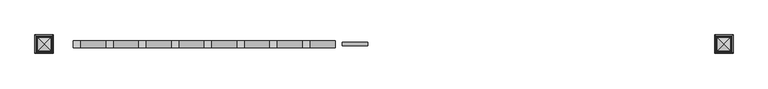
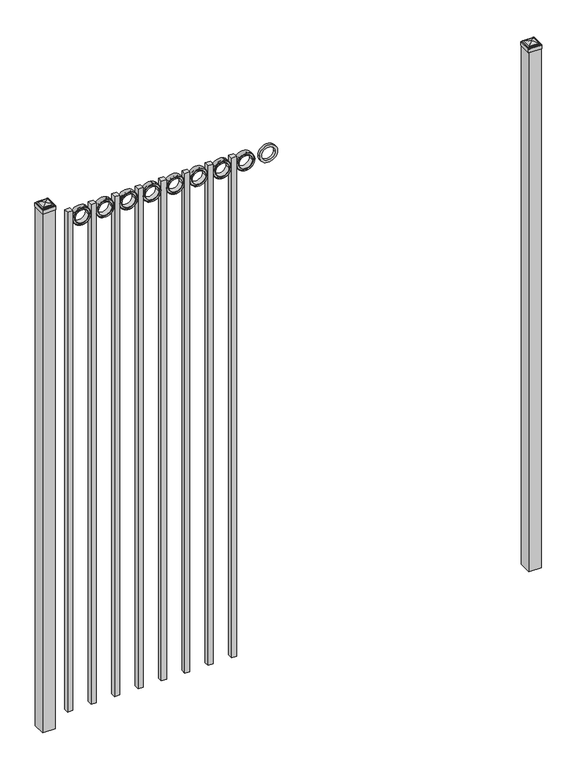
"""IFC4 building model written with IfcOpenShell, lengths in millimetres: railing geometry."""

from ifc_helpers import new_model, si_unit, point, frame, frame_2d, origin, origin_with_axes, place, context, project, spatial, polyline, circle_curve, ellipse_curve, trimmed, segment, composite_curve, outline, extrude, source, transform, mapped, element, save
from ifc_brep_helpers import plane_surface, cylinder_surface, advanced_brep


def railing_bb1613e2(model_context):
    return source(origin(), model_context, "Body", "SolidModel", [
        extrude(outline(composite_curve([segment(trimmed(circle_curve(frame_2d((2653.0511409, -5077.3911274)), 45.6988591), [point((2653.0511409, -5031.6922684))], [point((2653.0511409, -5123.0899865))], False, "CARTESIAN"), True, "CONTINUOUS"), segment(trimmed(circle_curve(frame_2d((2653.0511409, -5077.3911274)), 45.6988591), [point((2653.0511409, -5123.0899865))], [point((2653.0511409, -5031.6922684))], False, "CARTESIAN"), True, "CONTINUOUS")], self_intersect=False), holes=[composite_curve([segment(trimmed(circle_curve(frame_2d((2653.0511409, -5077.3911274)), 33.0443887), [point((2653.0511409, -5044.3467388))], [point((2653.0511409, -5110.4355161))], True, "CARTESIAN"), True, "CONTINUOUS"), segment(trimmed(circle_curve(frame_2d((2653.0511409, -5077.3911274)), 33.0443887), [point((2653.0511409, -5110.4355161))], [point((2653.0511409, -5044.3467388))], True, "CARTESIAN"), True, "CONTINUOUS")], self_intersect=False)]), frame((0.0, 5790.569541, 0.0), z_axis=(0.0, 1.0, 0.0), x_axis=(0.0, 0.0, 1.0)), (0.0, 0.0, 1.0), 12.7),
        extrude(outline(polyline([(0.0, -2647.95), (0.0, 0.0), (25.4, 0.0), (25.4, -2647.95), (0.0, -2647.95)])), frame((-5240.5649864, 5809.619541, 2698.75), z_axis=(-1.0, 0.0, 1.5671138160126508e-09), x_axis=(0.0, -1.0, 0.0)), (0.0, 0.0, 1.0), 25.4),
        extrude(outline(composite_curve([segment(trimmed(circle_curve(frame_2d((2653.0511409, -5194.8661274)), 45.6988591), [point((2653.0511409, -5149.1672684))], [point((2653.0511409, -5240.5649865))], False, "CARTESIAN"), True, "CONTINUOUS"), segment(trimmed(circle_curve(frame_2d((2653.0511409, -5194.8661274)), 45.6988591), [point((2653.0511409, -5240.5649865))], [point((2653.0511409, -5149.1672684))], False, "CARTESIAN"), True, "CONTINUOUS")], self_intersect=False), holes=[composite_curve([segment(trimmed(circle_curve(frame_2d((2653.0511409, -5194.8661274)), 44.101539), [point((2653.0511409, -5150.7645884))], [point((2653.0511409, -5238.9676665))], True, "CARTESIAN"), True, "CONTINUOUS"), segment(trimmed(circle_curve(frame_2d((2653.0511409, -5194.8661274)), 44.101539), [point((2653.0511409, -5238.9676665))], [point((2653.0511409, -5150.7645884))], True, "CARTESIAN"), True, "CONTINUOUS")], self_intersect=False)]), frame((0.0, 5784.219541, 0.0), z_axis=(0.0, 1.0, 0.0), x_axis=(0.0, 0.0, 1.0)), (0.0, 0.0, 1.0), 25.4),
        extrude(outline(composite_curve([segment(trimmed(circle_curve(frame_2d((2653.0511409, -5194.8661274)), 34.6370762), [point((2653.0511409, -5160.2290512))], [point((2653.0511409, -5229.5032037))], False, "CARTESIAN"), True, "CONTINUOUS"), segment(trimmed(circle_curve(frame_2d((2653.0511409, -5194.8661274)), 34.6370762), [point((2653.0511409, -5229.5032037))], [point((2653.0511409, -5160.2290512))], False, "CARTESIAN"), True, "CONTINUOUS")], self_intersect=False), holes=[composite_curve([segment(trimmed(circle_curve(frame_2d((2653.0511409, -5194.8661274)), 33.0443887), [point((2653.0511409, -5161.8217388))], [point((2653.0511409, -5227.9105161))], True, "CARTESIAN"), True, "CONTINUOUS"), segment(trimmed(circle_curve(frame_2d((2653.0511409, -5194.8661274)), 33.0443887), [point((2653.0511409, -5227.9105161))], [point((2653.0511409, -5161.8217388))], True, "CARTESIAN"), True, "CONTINUOUS")], self_intersect=False)]), frame((0.0, 5784.219541, 0.0), z_axis=(0.0, 1.0, 0.0), x_axis=(0.0, 0.0, 1.0)), (0.0, 0.0, 1.0), 25.4),
        extrude(outline(composite_curve([segment(trimmed(circle_curve(frame_2d((2653.0511409, -5194.8661274)), 45.6988591), [point((2653.0511409, -5149.1672684))], [point((2653.0511409, -5240.5649865))], False, "CARTESIAN"), True, "CONTINUOUS"), segment(trimmed(circle_curve(frame_2d((2653.0511409, -5194.8661274)), 45.6988591), [point((2653.0511409, -5240.5649865))], [point((2653.0511409, -5149.1672684))], False, "CARTESIAN"), True, "CONTINUOUS")], self_intersect=False), holes=[composite_curve([segment(trimmed(circle_curve(frame_2d((2653.0511409, -5194.8661274)), 33.0443887), [point((2653.0511409, -5161.8217388))], [point((2653.0511409, -5227.9105161))], True, "CARTESIAN"), True, "CONTINUOUS"), segment(trimmed(circle_curve(frame_2d((2653.0511409, -5194.8661274)), 33.0443887), [point((2653.0511409, -5227.9105161))], [point((2653.0511409, -5161.8217388))], True, "CARTESIAN"), True, "CONTINUOUS")], self_intersect=False)]), frame((0.0, 5790.569541, 0.0), z_axis=(0.0, 1.0, 0.0), x_axis=(0.0, 0.0, 1.0)), (0.0, 0.0, 1.0), 12.7),
        extrude(outline(polyline([(0.0, -2647.95), (0.0, 0.0), (25.4, 0.0), (25.4, -2647.95), (0.0, -2647.95)])), frame((-5358.0399864, 5809.619541, 2698.75), z_axis=(-1.0, 0.0, 1.5671138160126508e-09), x_axis=(0.0, -1.0, 0.0)), (0.0, 0.0, 1.0), 25.4),
        extrude(outline(composite_curve([segment(trimmed(circle_curve(frame_2d((2653.0511409, -5312.3411274)), 45.6988591), [point((2653.0511409, -5266.6422684))], [point((2653.0511409, -5358.0399865))], False, "CARTESIAN"), True, "CONTINUOUS"), segment(trimmed(circle_curve(frame_2d((2653.0511409, -5312.3411274)), 45.6988591), [point((2653.0511409, -5358.0399865))], [point((2653.0511409, -5266.6422684))], False, "CARTESIAN"), True, "CONTINUOUS")], self_intersect=False), holes=[composite_curve([segment(trimmed(circle_curve(frame_2d((2653.0511409, -5312.3411274)), 44.101539), [point((2653.0511409, -5268.2395884))], [point((2653.0511409, -5356.4426665))], True, "CARTESIAN"), True, "CONTINUOUS"), segment(trimmed(circle_curve(frame_2d((2653.0511409, -5312.3411274)), 44.101539), [point((2653.0511409, -5356.4426665))], [point((2653.0511409, -5268.2395884))], True, "CARTESIAN"), True, "CONTINUOUS")], self_intersect=False)]), frame((0.0, 5784.219541, 0.0), z_axis=(0.0, 1.0, 0.0), x_axis=(0.0, 0.0, 1.0)), (0.0, 0.0, 1.0), 25.4),
        extrude(outline(composite_curve([segment(trimmed(circle_curve(frame_2d((2653.0511409, -5312.3411274)), 34.6370762), [point((2653.0511409, -5277.7040512))], [point((2653.0511409, -5346.9782037))], False, "CARTESIAN"), True, "CONTINUOUS"), segment(trimmed(circle_curve(frame_2d((2653.0511409, -5312.3411274)), 34.6370762), [point((2653.0511409, -5346.9782037))], [point((2653.0511409, -5277.7040512))], False, "CARTESIAN"), True, "CONTINUOUS")], self_intersect=False), holes=[composite_curve([segment(trimmed(circle_curve(frame_2d((2653.0511409, -5312.3411274)), 33.0443887), [point((2653.0511409, -5279.2967388))], [point((2653.0511409, -5345.3855161))], True, "CARTESIAN"), True, "CONTINUOUS"), segment(trimmed(circle_curve(frame_2d((2653.0511409, -5312.3411274)), 33.0443887), [point((2653.0511409, -5345.3855161))], [point((2653.0511409, -5279.2967388))], True, "CARTESIAN"), True, "CONTINUOUS")], self_intersect=False)]), frame((0.0, 5784.219541, 0.0), z_axis=(0.0, 1.0, 0.0), x_axis=(0.0, 0.0, 1.0)), (0.0, 0.0, 1.0), 25.4),
        extrude(outline(composite_curve([segment(trimmed(circle_curve(frame_2d((2653.0511409, -5312.3411274)), 45.6988591), [point((2653.0511409, -5266.6422684))], [point((2653.0511409, -5358.0399865))], False, "CARTESIAN"), True, "CONTINUOUS"), segment(trimmed(circle_curve(frame_2d((2653.0511409, -5312.3411274)), 45.6988591), [point((2653.0511409, -5358.0399865))], [point((2653.0511409, -5266.6422684))], False, "CARTESIAN"), True, "CONTINUOUS")], self_intersect=False), holes=[composite_curve([segment(trimmed(circle_curve(frame_2d((2653.0511409, -5312.3411274)), 33.0443887), [point((2653.0511409, -5279.2967388))], [point((2653.0511409, -5345.3855161))], True, "CARTESIAN"), True, "CONTINUOUS"), segment(trimmed(circle_curve(frame_2d((2653.0511409, -5312.3411274)), 33.0443887), [point((2653.0511409, -5345.3855161))], [point((2653.0511409, -5279.2967388))], True, "CARTESIAN"), True, "CONTINUOUS")], self_intersect=False)]), frame((0.0, 5790.569541, 0.0), z_axis=(0.0, 1.0, 0.0), x_axis=(0.0, 0.0, 1.0)), (0.0, 0.0, 1.0), 12.7),
        extrude(outline(polyline([(0.0, -2647.95), (0.0, 0.0), (25.4, 0.0), (25.4, -2647.95), (0.0, -2647.95)])), frame((-5475.5149864, 5809.619541, 2698.75), z_axis=(-1.0, 0.0, 1.5671138160126508e-09), x_axis=(0.0, -1.0, 0.0)), (0.0, 0.0, 1.0), 25.4),
        extrude(outline(composite_curve([segment(trimmed(circle_curve(frame_2d((2653.0511409, -5429.8161274)), 45.6988591), [point((2653.0511409, -5384.1172684))], [point((2653.0511409, -5475.5149865))], False, "CARTESIAN"), True, "CONTINUOUS"), segment(trimmed(circle_curve(frame_2d((2653.0511409, -5429.8161274)), 45.6988591), [point((2653.0511409, -5475.5149865))], [point((2653.0511409, -5384.1172684))], False, "CARTESIAN"), True, "CONTINUOUS")], self_intersect=False), holes=[composite_curve([segment(trimmed(circle_curve(frame_2d((2653.0511409, -5429.8161274)), 44.101539), [point((2653.0511409, -5385.7145884))], [point((2653.0511409, -5473.9176665))], True, "CARTESIAN"), True, "CONTINUOUS"), segment(trimmed(circle_curve(frame_2d((2653.0511409, -5429.8161274)), 44.101539), [point((2653.0511409, -5473.9176665))], [point((2653.0511409, -5385.7145884))], True, "CARTESIAN"), True, "CONTINUOUS")], self_intersect=False)]), frame((0.0, 5784.219541, 0.0), z_axis=(0.0, 1.0, 0.0), x_axis=(0.0, 0.0, 1.0)), (0.0, 0.0, 1.0), 25.4),
        extrude(outline(composite_curve([segment(trimmed(circle_curve(frame_2d((2653.0511409, -5429.8161274)), 34.6370762), [point((2653.0511409, -5395.1790512))], [point((2653.0511409, -5464.4532037))], False, "CARTESIAN"), True, "CONTINUOUS"), segment(trimmed(circle_curve(frame_2d((2653.0511409, -5429.8161274)), 34.6370762), [point((2653.0511409, -5464.4532037))], [point((2653.0511409, -5395.1790512))], False, "CARTESIAN"), True, "CONTINUOUS")], self_intersect=False), holes=[composite_curve([segment(trimmed(circle_curve(frame_2d((2653.0511409, -5429.8161274)), 33.0443887), [point((2653.0511409, -5396.7717388))], [point((2653.0511409, -5462.8605161))], True, "CARTESIAN"), True, "CONTINUOUS"), segment(trimmed(circle_curve(frame_2d((2653.0511409, -5429.8161274)), 33.0443887), [point((2653.0511409, -5462.8605161))], [point((2653.0511409, -5396.7717388))], True, "CARTESIAN"), True, "CONTINUOUS")], self_intersect=False)]), frame((0.0, 5784.219541, 0.0), z_axis=(0.0, 1.0, 0.0), x_axis=(0.0, 0.0, 1.0)), (0.0, 0.0, 1.0), 25.4),
        extrude(outline(composite_curve([segment(trimmed(circle_curve(frame_2d((2653.0511409, -5429.8161274)), 45.6988591), [point((2653.0511409, -5384.1172684))], [point((2653.0511409, -5475.5149865))], False, "CARTESIAN"), True, "CONTINUOUS"), segment(trimmed(circle_curve(frame_2d((2653.0511409, -5429.8161274)), 45.6988591), [point((2653.0511409, -5475.5149865))], [point((2653.0511409, -5384.1172684))], False, "CARTESIAN"), True, "CONTINUOUS")], self_intersect=False), holes=[composite_curve([segment(trimmed(circle_curve(frame_2d((2653.0511409, -5429.8161274)), 33.0443887), [point((2653.0511409, -5396.7717388))], [point((2653.0511409, -5462.8605161))], True, "CARTESIAN"), True, "CONTINUOUS"), segment(trimmed(circle_curve(frame_2d((2653.0511409, -5429.8161274)), 33.0443887), [point((2653.0511409, -5462.8605161))], [point((2653.0511409, -5396.7717388))], True, "CARTESIAN"), True, "CONTINUOUS")], self_intersect=False)]), frame((0.0, 5790.569541, 0.0), z_axis=(0.0, 1.0, 0.0), x_axis=(0.0, 0.0, 1.0)), (0.0, 0.0, 1.0), 12.7),
        extrude(outline(polyline([(0.0, -2647.95), (0.0, 0.0), (25.4, 0.0), (25.4, -2647.95), (0.0, -2647.95)])), frame((-5592.9899864, 5809.619541, 2698.75), z_axis=(-1.0, 0.0, 1.5671138160126508e-09), x_axis=(0.0, -1.0, 0.0)), (0.0, 0.0, 1.0), 25.4),
        extrude(outline(composite_curve([segment(trimmed(circle_curve(frame_2d((2653.0511409, -5547.2911274)), 45.6988591), [point((2653.0511409, -5501.5922684))], [point((2653.0511409, -5592.9899865))], False, "CARTESIAN"), True, "CONTINUOUS"), segment(trimmed(circle_curve(frame_2d((2653.0511409, -5547.2911274)), 45.6988591), [point((2653.0511409, -5592.9899865))], [point((2653.0511409, -5501.5922684))], False, "CARTESIAN"), True, "CONTINUOUS")], self_intersect=False), holes=[composite_curve([segment(trimmed(circle_curve(frame_2d((2653.0511409, -5547.2911274)), 44.101539), [point((2653.0511409, -5503.1895884))], [point((2653.0511409, -5591.3926665))], True, "CARTESIAN"), True, "CONTINUOUS"), segment(trimmed(circle_curve(frame_2d((2653.0511409, -5547.2911274)), 44.101539), [point((2653.0511409, -5591.3926665))], [point((2653.0511409, -5503.1895884))], True, "CARTESIAN"), True, "CONTINUOUS")], self_intersect=False)]), frame((0.0, 5784.219541, 0.0), z_axis=(0.0, 1.0, 0.0), x_axis=(0.0, 0.0, 1.0)), (0.0, 0.0, 1.0), 25.4),
        extrude(outline(composite_curve([segment(trimmed(circle_curve(frame_2d((2653.0511409, -5547.2911274)), 34.6370762), [point((2653.0511409, -5512.6540512))], [point((2653.0511409, -5581.9282037))], False, "CARTESIAN"), True, "CONTINUOUS"), segment(trimmed(circle_curve(frame_2d((2653.0511409, -5547.2911274)), 34.6370762), [point((2653.0511409, -5581.9282037))], [point((2653.0511409, -5512.6540512))], False, "CARTESIAN"), True, "CONTINUOUS")], self_intersect=False), holes=[composite_curve([segment(trimmed(circle_curve(frame_2d((2653.0511409, -5547.2911274)), 33.0443887), [point((2653.0511409, -5514.2467388))], [point((2653.0511409, -5580.3355161))], True, "CARTESIAN"), True, "CONTINUOUS"), segment(trimmed(circle_curve(frame_2d((2653.0511409, -5547.2911274)), 33.0443887), [point((2653.0511409, -5580.3355161))], [point((2653.0511409, -5514.2467388))], True, "CARTESIAN"), True, "CONTINUOUS")], self_intersect=False)]), frame((0.0, 5784.219541, 0.0), z_axis=(0.0, 1.0, 0.0), x_axis=(0.0, 0.0, 1.0)), (0.0, 0.0, 1.0), 25.4),
        extrude(outline(composite_curve([segment(trimmed(circle_curve(frame_2d((2653.0511409, -5547.2911274)), 45.6988591), [point((2653.0511409, -5501.5922684))], [point((2653.0511409, -5592.9899865))], False, "CARTESIAN"), True, "CONTINUOUS"), segment(trimmed(circle_curve(frame_2d((2653.0511409, -5547.2911274)), 45.6988591), [point((2653.0511409, -5592.9899865))], [point((2653.0511409, -5501.5922684))], False, "CARTESIAN"), True, "CONTINUOUS")], self_intersect=False), holes=[composite_curve([segment(trimmed(circle_curve(frame_2d((2653.0511409, -5547.2911274)), 33.0443887), [point((2653.0511409, -5514.2467388))], [point((2653.0511409, -5580.3355161))], True, "CARTESIAN"), True, "CONTINUOUS"), segment(trimmed(circle_curve(frame_2d((2653.0511409, -5547.2911274)), 33.0443887), [point((2653.0511409, -5580.3355161))], [point((2653.0511409, -5514.2467388))], True, "CARTESIAN"), True, "CONTINUOUS")], self_intersect=False)]), frame((0.0, 5790.569541, 0.0), z_axis=(0.0, 1.0, 0.0), x_axis=(0.0, 0.0, 1.0)), (0.0, 0.0, 1.0), 12.7),
        extrude(outline(polyline([(0.0, -2647.95), (0.0, 0.0), (25.4, 0.0), (25.4, -2647.95), (0.0, -2647.95)])), frame((-5710.4649864, 5809.619541, 2698.75), z_axis=(-1.0, 0.0, 1.5671138160126508e-09), x_axis=(0.0, -1.0, 0.0)), (0.0, 0.0, 1.0), 25.4),
        extrude(outline(composite_curve([segment(trimmed(circle_curve(frame_2d((2653.0511409, -5664.7661274)), 45.6988591), [point((2653.0511409, -5619.0672684))], [point((2653.0511409, -5710.4649865))], False, "CARTESIAN"), True, "CONTINUOUS"), segment(trimmed(circle_curve(frame_2d((2653.0511409, -5664.7661274)), 45.6988591), [point((2653.0511409, -5710.4649865))], [point((2653.0511409, -5619.0672684))], False, "CARTESIAN"), True, "CONTINUOUS")], self_intersect=False), holes=[composite_curve([segment(trimmed(circle_curve(frame_2d((2653.0511409, -5664.7661274)), 44.101539), [point((2653.0511409, -5620.6645884))], [point((2653.0511409, -5708.8676665))], True, "CARTESIAN"), True, "CONTINUOUS"), segment(trimmed(circle_curve(frame_2d((2653.0511409, -5664.7661274)), 44.101539), [point((2653.0511409, -5708.8676665))], [point((2653.0511409, -5620.6645884))], True, "CARTESIAN"), True, "CONTINUOUS")], self_intersect=False)]), frame((0.0, 5784.219541, 0.0), z_axis=(0.0, 1.0, 0.0), x_axis=(0.0, 0.0, 1.0)), (0.0, 0.0, 1.0), 25.4),
        extrude(outline(composite_curve([segment(trimmed(circle_curve(frame_2d((2653.0511409, -5664.7661274)), 34.6370762), [point((2653.0511409, -5630.1290512))], [point((2653.0511409, -5699.4032037))], False, "CARTESIAN"), True, "CONTINUOUS"), segment(trimmed(circle_curve(frame_2d((2653.0511409, -5664.7661274)), 34.6370762), [point((2653.0511409, -5699.4032037))], [point((2653.0511409, -5630.1290512))], False, "CARTESIAN"), True, "CONTINUOUS")], self_intersect=False), holes=[composite_curve([segment(trimmed(circle_curve(frame_2d((2653.0511409, -5664.7661274)), 33.0443887), [point((2653.0511409, -5631.7217388))], [point((2653.0511409, -5697.8105161))], True, "CARTESIAN"), True, "CONTINUOUS"), segment(trimmed(circle_curve(frame_2d((2653.0511409, -5664.7661274)), 33.0443887), [point((2653.0511409, -5697.8105161))], [point((2653.0511409, -5631.7217388))], True, "CARTESIAN"), True, "CONTINUOUS")], self_intersect=False)]), frame((0.0, 5784.219541, 0.0), z_axis=(0.0, 1.0, 0.0), x_axis=(0.0, 0.0, 1.0)), (0.0, 0.0, 1.0), 25.4),
        extrude(outline(composite_curve([segment(trimmed(circle_curve(frame_2d((2653.0511409, -5664.7661274)), 45.6988591), [point((2653.0511409, -5619.0672684))], [point((2653.0511409, -5710.4649865))], False, "CARTESIAN"), True, "CONTINUOUS"), segment(trimmed(circle_curve(frame_2d((2653.0511409, -5664.7661274)), 45.6988591), [point((2653.0511409, -5710.4649865))], [point((2653.0511409, -5619.0672684))], False, "CARTESIAN"), True, "CONTINUOUS")], self_intersect=False), holes=[composite_curve([segment(trimmed(circle_curve(frame_2d((2653.0511409, -5664.7661274)), 33.0443887), [point((2653.0511409, -5631.7217388))], [point((2653.0511409, -5697.8105161))], True, "CARTESIAN"), True, "CONTINUOUS"), segment(trimmed(circle_curve(frame_2d((2653.0511409, -5664.7661274)), 33.0443887), [point((2653.0511409, -5697.8105161))], [point((2653.0511409, -5631.7217388))], True, "CARTESIAN"), True, "CONTINUOUS")], self_intersect=False)]), frame((0.0, 5790.569541, 0.0), z_axis=(0.0, 1.0, 0.0), x_axis=(0.0, 0.0, 1.0)), (0.0, 0.0, 1.0), 12.7),
        extrude(outline(polyline([(0.0, -2647.95), (0.0, 0.0), (25.4, 0.0), (25.4, -2647.95), (0.0, -2647.95)])), frame((-5827.9399864, 5809.619541, 2698.75), z_axis=(-1.0, 0.0, 1.5671138160126508e-09), x_axis=(0.0, -1.0, 0.0)), (0.0, 0.0, 1.0), 25.4),
        extrude(outline(composite_curve([segment(trimmed(circle_curve(frame_2d((2653.0511409, -5782.2411274)), 45.6988591), [point((2653.0511409, -5736.5422684))], [point((2653.0511409, -5827.9399865))], False, "CARTESIAN"), True, "CONTINUOUS"), segment(trimmed(circle_curve(frame_2d((2653.0511409, -5782.2411274)), 45.6988591), [point((2653.0511409, -5827.9399865))], [point((2653.0511409, -5736.5422684))], False, "CARTESIAN"), True, "CONTINUOUS")], self_intersect=False), holes=[composite_curve([segment(trimmed(circle_curve(frame_2d((2653.0511409, -5782.2411274)), 44.101539), [point((2653.0511409, -5738.1395884))], [point((2653.0511409, -5826.3426665))], True, "CARTESIAN"), True, "CONTINUOUS"), segment(trimmed(circle_curve(frame_2d((2653.0511409, -5782.2411274)), 44.101539), [point((2653.0511409, -5826.3426665))], [point((2653.0511409, -5738.1395884))], True, "CARTESIAN"), True, "CONTINUOUS")], self_intersect=False)]), frame((0.0, 5784.219541, 0.0), z_axis=(0.0, 1.0, 0.0), x_axis=(0.0, 0.0, 1.0)), (0.0, 0.0, 1.0), 25.4),
        extrude(outline(composite_curve([segment(trimmed(circle_curve(frame_2d((2653.0511409, -5782.2411274)), 34.6370762), [point((2653.0511409, -5747.6040512))], [point((2653.0511409, -5816.8782037))], False, "CARTESIAN"), True, "CONTINUOUS"), segment(trimmed(circle_curve(frame_2d((2653.0511409, -5782.2411274)), 34.6370762), [point((2653.0511409, -5816.8782037))], [point((2653.0511409, -5747.6040512))], False, "CARTESIAN"), True, "CONTINUOUS")], self_intersect=False), holes=[composite_curve([segment(trimmed(circle_curve(frame_2d((2653.0511409, -5782.2411274)), 33.0443887), [point((2653.0511409, -5749.1967388))], [point((2653.0511409, -5815.2855161))], True, "CARTESIAN"), True, "CONTINUOUS"), segment(trimmed(circle_curve(frame_2d((2653.0511409, -5782.2411274)), 33.0443887), [point((2653.0511409, -5815.2855161))], [point((2653.0511409, -5749.1967388))], True, "CARTESIAN"), True, "CONTINUOUS")], self_intersect=False)]), frame((0.0, 5784.219541, 0.0), z_axis=(0.0, 1.0, 0.0), x_axis=(0.0, 0.0, 1.0)), (0.0, 0.0, 1.0), 25.4),
        extrude(outline(composite_curve([segment(trimmed(circle_curve(frame_2d((2653.0511409, -5782.2411274)), 45.6988591), [point((2653.0511409, -5736.5422684))], [point((2653.0511409, -5827.9399865))], False, "CARTESIAN"), True, "CONTINUOUS"), segment(trimmed(circle_curve(frame_2d((2653.0511409, -5782.2411274)), 45.6988591), [point((2653.0511409, -5827.9399865))], [point((2653.0511409, -5736.5422684))], False, "CARTESIAN"), True, "CONTINUOUS")], self_intersect=False), holes=[composite_curve([segment(trimmed(circle_curve(frame_2d((2653.0511409, -5782.2411274)), 33.0443887), [point((2653.0511409, -5749.1967388))], [point((2653.0511409, -5815.2855161))], True, "CARTESIAN"), True, "CONTINUOUS"), segment(trimmed(circle_curve(frame_2d((2653.0511409, -5782.2411274)), 33.0443887), [point((2653.0511409, -5815.2855161))], [point((2653.0511409, -5749.1967388))], True, "CARTESIAN"), True, "CONTINUOUS")], self_intersect=False)]), frame((0.0, 5790.569541, 0.0), z_axis=(0.0, 1.0, 0.0), x_axis=(0.0, 0.0, 1.0)), (0.0, 0.0, 1.0), 12.7),
        extrude(outline(polyline([(0.0, -2647.95), (0.0, 0.0), (25.4, 0.0), (25.4, -2647.95), (0.0, -2647.95)])), frame((-5945.4149864, 5809.619541, 2698.75), z_axis=(-1.0, 0.0, 1.5671138160126508e-09), x_axis=(0.0, -1.0, 0.0)), (0.0, 0.0, 1.0), 25.4),
        extrude(outline(composite_curve([segment(trimmed(circle_curve(frame_2d((2653.0511409, -5899.7161274)), 45.6988591), [point((2653.0511409, -5854.0172684))], [point((2653.0511409, -5945.4149865))], False, "CARTESIAN"), True, "CONTINUOUS"), segment(trimmed(circle_curve(frame_2d((2653.0511409, -5899.7161274)), 45.6988591), [point((2653.0511409, -5945.4149865))], [point((2653.0511409, -5854.0172684))], False, "CARTESIAN"), True, "CONTINUOUS")], self_intersect=False), holes=[composite_curve([segment(trimmed(circle_curve(frame_2d((2653.0511409, -5899.7161274)), 44.101539), [point((2653.0511409, -5855.6145884))], [point((2653.0511409, -5943.8176665))], True, "CARTESIAN"), True, "CONTINUOUS"), segment(trimmed(circle_curve(frame_2d((2653.0511409, -5899.7161274)), 44.101539), [point((2653.0511409, -5943.8176665))], [point((2653.0511409, -5855.6145884))], True, "CARTESIAN"), True, "CONTINUOUS")], self_intersect=False)]), frame((0.0, 5784.219541, 0.0), z_axis=(0.0, 1.0, 0.0), x_axis=(0.0, 0.0, 1.0)), (0.0, 0.0, 1.0), 25.4),
        extrude(outline(composite_curve([segment(trimmed(circle_curve(frame_2d((2653.0511409, -5899.7161274)), 34.6370762), [point((2653.0511409, -5865.0790512))], [point((2653.0511409, -5934.3532037))], False, "CARTESIAN"), True, "CONTINUOUS"), segment(trimmed(circle_curve(frame_2d((2653.0511409, -5899.7161274)), 34.6370762), [point((2653.0511409, -5934.3532037))], [point((2653.0511409, -5865.0790512))], False, "CARTESIAN"), True, "CONTINUOUS")], self_intersect=False), holes=[composite_curve([segment(trimmed(circle_curve(frame_2d((2653.0511409, -5899.7161274)), 33.0443887), [point((2653.0511409, -5866.6717388))], [point((2653.0511409, -5932.7605161))], True, "CARTESIAN"), True, "CONTINUOUS"), segment(trimmed(circle_curve(frame_2d((2653.0511409, -5899.7161274)), 33.0443887), [point((2653.0511409, -5932.7605161))], [point((2653.0511409, -5866.6717388))], True, "CARTESIAN"), True, "CONTINUOUS")], self_intersect=False)]), frame((0.0, 5784.219541, 0.0), z_axis=(0.0, 1.0, 0.0), x_axis=(0.0, 0.0, 1.0)), (0.0, 0.0, 1.0), 25.4),
        extrude(outline(composite_curve([segment(trimmed(circle_curve(frame_2d((2653.0511409, -5899.7161274)), 45.6988591), [point((2653.0511409, -5854.0172684))], [point((2653.0511409, -5945.4149865))], False, "CARTESIAN"), True, "CONTINUOUS"), segment(trimmed(circle_curve(frame_2d((2653.0511409, -5899.7161274)), 45.6988591), [point((2653.0511409, -5945.4149865))], [point((2653.0511409, -5854.0172684))], False, "CARTESIAN"), True, "CONTINUOUS")], self_intersect=False), holes=[composite_curve([segment(trimmed(circle_curve(frame_2d((2653.0511409, -5899.7161274)), 33.0443887), [point((2653.0511409, -5866.6717388))], [point((2653.0511409, -5932.7605161))], True, "CARTESIAN"), True, "CONTINUOUS"), segment(trimmed(circle_curve(frame_2d((2653.0511409, -5899.7161274)), 33.0443887), [point((2653.0511409, -5932.7605161))], [point((2653.0511409, -5866.6717388))], True, "CARTESIAN"), True, "CONTINUOUS")], self_intersect=False)]), frame((0.0, 5790.569541, 0.0), z_axis=(0.0, 1.0, 0.0), x_axis=(0.0, 0.0, 1.0)), (0.0, 0.0, 1.0), 12.7),
        extrude(outline(polyline([(0.0, -2647.95), (0.0, 0.0), (25.4, 0.0), (25.4, -2647.95), (0.0, -2647.95)])), frame((-6062.8899864, 5809.619541, 2698.75), z_axis=(-1.0, 0.0, 1.5671138160126508e-09), x_axis=(0.0, -1.0, 0.0)), (0.0, 0.0, 1.0), 25.4),
        extrude(outline(composite_curve([segment(trimmed(circle_curve(frame_2d((2653.0511409, -6017.1911274)), 45.6988591), [point((2653.0511409, -5971.4922684))], [point((2653.0511409, -6062.8899865))], False, "CARTESIAN"), True, "CONTINUOUS"), segment(trimmed(circle_curve(frame_2d((2653.0511409, -6017.1911274)), 45.6988591), [point((2653.0511409, -6062.8899865))], [point((2653.0511409, -5971.4922684))], False, "CARTESIAN"), True, "CONTINUOUS")], self_intersect=False), holes=[composite_curve([segment(trimmed(circle_curve(frame_2d((2653.0511409, -6017.1911274)), 44.101539), [point((2653.0511409, -5973.0895884))], [point((2653.0511409, -6061.2926665))], True, "CARTESIAN"), True, "CONTINUOUS"), segment(trimmed(circle_curve(frame_2d((2653.0511409, -6017.1911274)), 44.101539), [point((2653.0511409, -6061.2926665))], [point((2653.0511409, -5973.0895884))], True, "CARTESIAN"), True, "CONTINUOUS")], self_intersect=False)]), frame((0.0, 5784.219541, 0.0), z_axis=(0.0, 1.0, 0.0), x_axis=(0.0, 0.0, 1.0)), (0.0, 0.0, 1.0), 25.4),
        extrude(outline(composite_curve([segment(trimmed(circle_curve(frame_2d((2653.0511409, -6017.1911274)), 34.6370762), [point((2653.0511409, -5982.5540512))], [point((2653.0511409, -6051.8282037))], False, "CARTESIAN"), True, "CONTINUOUS"), segment(trimmed(circle_curve(frame_2d((2653.0511409, -6017.1911274)), 34.6370762), [point((2653.0511409, -6051.8282037))], [point((2653.0511409, -5982.5540512))], False, "CARTESIAN"), True, "CONTINUOUS")], self_intersect=False), holes=[composite_curve([segment(trimmed(circle_curve(frame_2d((2653.0511409, -6017.1911274)), 33.0443887), [point((2653.0511409, -5984.1467388))], [point((2653.0511409, -6050.2355161))], True, "CARTESIAN"), True, "CONTINUOUS"), segment(trimmed(circle_curve(frame_2d((2653.0511409, -6017.1911274)), 33.0443887), [point((2653.0511409, -6050.2355161))], [point((2653.0511409, -5984.1467388))], True, "CARTESIAN"), True, "CONTINUOUS")], self_intersect=False)]), frame((0.0, 5784.219541, 0.0), z_axis=(0.0, 1.0, 0.0), x_axis=(0.0, 0.0, 1.0)), (0.0, 0.0, 1.0), 25.4),
        extrude(outline(composite_curve([segment(trimmed(circle_curve(frame_2d((2653.0511409, -6017.1911274)), 45.6988591), [point((2653.0511409, -5971.4922684))], [point((2653.0511409, -6062.8899865))], False, "CARTESIAN"), True, "CONTINUOUS"), segment(trimmed(circle_curve(frame_2d((2653.0511409, -6017.1911274)), 45.6988591), [point((2653.0511409, -6062.8899865))], [point((2653.0511409, -5971.4922684))], False, "CARTESIAN"), True, "CONTINUOUS")], self_intersect=False), holes=[composite_curve([segment(trimmed(circle_curve(frame_2d((2653.0511409, -6017.1911274)), 33.0443887), [point((2653.0511409, -5984.1467388))], [point((2653.0511409, -6050.2355161))], True, "CARTESIAN"), True, "CONTINUOUS"), segment(trimmed(circle_curve(frame_2d((2653.0511409, -6017.1911274)), 33.0443887), [point((2653.0511409, -6050.2355161))], [point((2653.0511409, -5984.1467388))], True, "CARTESIAN"), True, "CONTINUOUS")], self_intersect=False)]), frame((0.0, 5790.569541, 0.0), z_axis=(0.0, 1.0, 0.0), x_axis=(0.0, 0.0, 1.0)), (0.0, 0.0, 1.0), 12.7),
        extrude(outline(polyline([(-3722.9149936, 5828.669541), (-3722.9149936, 5765.169541), (-3786.4149936, 5765.169541), (-3786.4149936, 5828.669541), (-3722.9149936, 5828.669541)])), origin_with_axes(), (0.0, 0.0, 1.0), 2751.1375),
        advanced_brep(
        [(-3788.0024936, 5830.257041, 2769.39375), (-3788.0024936, 5830.257041, 2751.1375), (-3788.0024936, 5763.582041, 2751.1375), (-3788.0024936, 5763.582041, 2769.39375), (-3785.6212436, 5827.875791, 2771.775), (-3785.6212436, 5765.963291, 2771.775), (-3783.2399936, 5825.494541, 2774.15625), (-3783.2399936, 5825.494541, 2771.775), (-3783.2399936, 5768.344541, 2771.775), (-3783.2399936, 5768.344541, 2774.15625), (-3780.8587436, 5823.113291, 2776.5375), (-3780.8587436, 5770.725791, 2776.5375), (-3754.6649936, 5796.919541, 2782.8875), (-3778.4774936, 5820.732041, 2776.5375), (-3778.4774936, 5773.107041, 2776.5375), (-3721.3274936, 5763.582041, 2751.1375), (-3721.3274936, 5763.582041, 2769.39375), (-3723.7087436, 5765.963291, 2771.775), (-3726.0899936, 5768.344541, 2771.775), (-3726.0899936, 5768.344541, 2774.15625), (-3728.4712436, 5770.725791, 2776.5375), (-3730.8524936, 5773.107041, 2776.5375), (-3721.3274936, 5830.257041, 2751.1375), (-3721.3274936, 5830.257041, 2769.39375), (-3723.7087436, 5827.875791, 2771.775), (-3726.0899936, 5825.494541, 2771.775), (-3726.0899936, 5825.494541, 2774.15625), (-3728.4712436, 5823.113291, 2776.5375), (-3730.8524936, 5820.732041, 2776.5375)],
        [
            (0, 1),
            (1, 2),
            (2, 3),
            (3, 0),
            (4, 0, ellipse_curve(frame((-3785.6212436, 5827.875791, 2769.39375), z_axis=(-0.70710678118655, -0.7071067811865449, 0.0), x_axis=(-0.7071067811865448, 0.7071067811865501, 0.0)), 3.367596, 2.38125)),
            (3, 5, ellipse_curve(frame((-3785.6212436, 5765.963291, 2769.39375), z_axis=(-0.7071067811865449, 0.70710678118655, 0.0), x_axis=(0.7071067811865499, 0.707106781186545, 0.0)), 3.367596, 2.38125)),
            (5, 4),
            (6, 7),
            (7, 8),
            (8, 9),
            (9, 6),
            (10, 6, ellipse_curve(frame((-3780.8587436, 5823.113291, 2774.15625), z_axis=(-0.70710678118655, -0.7071067811865449, 0.0), x_axis=(-0.7071067811865448, 0.7071067811865501, 0.0)), 3.367596, 2.38125)),
            (9, 11, ellipse_curve(frame((-3780.8587436, 5770.725791, 2774.15625), z_axis=(-0.7071067811865449, 0.70710678118655, 0.0), x_axis=(0.7071067811865499, 0.707106781186545, 0.0)), 3.367596, 2.38125)),
            (11, 10),
            (12, 13, ellipse_curve(frame((-3754.6649936, 5796.919541, 2735.0640625), z_axis=(-0.70710678118655, -0.7071067811865449, 0.0), x_axis=(-0.7071067811865448, 0.7071067811865501, 0.0)), 67.6325539, 47.8234375)),
            (13, 14),
            (14, 12, ellipse_curve(frame((-3754.6649936, 5796.919541, 2735.0640625), z_axis=(-0.7071067811865449, 0.70710678118655, 0.0), x_axis=(0.7071067811865499, 0.707106781186545, 0.0)), 67.6325539, 47.8234375)),
            (2, 15),
            (15, 16),
            (16, 3),
            (16, 17, ellipse_curve(frame((-3723.7087436, 5765.963291, 2769.39375), z_axis=(-0.70710678118655, -0.707106781186545, 0.0), x_axis=(-0.707106781186545, 0.70710678118655, 0.0)), 3.367596, 2.38125)),
            (17, 5),
            (8, 18),
            (18, 19),
            (19, 9),
            (19, 20, ellipse_curve(frame((-3728.4712436, 5770.725791, 2774.15625), z_axis=(-0.70710678118655, -0.707106781186545, 0.0), x_axis=(-0.707106781186545, 0.70710678118655, 0.0)), 3.367596, 2.38125)),
            (20, 11),
            (14, 21),
            (21, 12, ellipse_curve(frame((-3754.6649936, 5796.919541, 2735.0640625), z_axis=(-0.70710678118655, -0.707106781186545, 0.0), x_axis=(-0.707106781186545, 0.70710678118655, 0.0)), 67.6325539, 47.8234375)),
            (15, 22),
            (22, 23),
            (23, 16),
            (23, 24, ellipse_curve(frame((-3723.7087436, 5827.875791, 2769.39375), z_axis=(0.707106781186545, -0.7071067811865499, 0.0), x_axis=(-0.7071067811865497, -0.7071067811865452, 0.0)), 3.367596, 2.38125)),
            (24, 17),
            (18, 25),
            (25, 26),
            (26, 19),
            (26, 27, ellipse_curve(frame((-3728.4712436, 5823.113291, 2774.15625), z_axis=(0.707106781186545, -0.7071067811865499, 0.0), x_axis=(-0.7071067811865497, -0.7071067811865452, 0.0)), 3.367596, 2.38125)),
            (27, 20),
            (21, 28),
            (28, 12, ellipse_curve(frame((-3754.6649936, 5796.919541, 2735.0640625), z_axis=(0.707106781186545, -0.7071067811865499, 0.0), x_axis=(-0.7071067811865497, -0.7071067811865452, 0.0)), 67.6325539, 47.8234375)),
            (22, 1),
            (0, 23),
            (4, 24),
            (7, 25),
            (6, 26),
            (10, 27),
            (13, 28),
        ],
        [
            plane_surface(frame((-3788.0024936, 5830.257041, 2751.1375), z_axis=(-1.0, 0.0, 0.0), x_axis=(0.0, -1.0, 0.0))),
            cylinder_surface(frame((-3785.6212436, 5828.669541, 2769.39375), z_axis=(0.0, 1.0, 0.0), x_axis=(1.0, 0.0, 0.0)), 2.38125),
            plane_surface(frame((-3783.2399936, 5825.494541, 2771.775), z_axis=(-1.0, 0.0, 0.0), x_axis=(0.0, -1.0, 0.0))),
            cylinder_surface(frame((-3780.8587436, 5828.669541, 2774.15625), z_axis=(0.0, 1.0, 0.0), x_axis=(1.0, 0.0, 0.0)), 2.38125),
            cylinder_surface(frame((-3754.6649936, 5828.669541, 2735.0640625), z_axis=(0.0, 1.0, 0.0), x_axis=(1.0, 0.0, 0.0)), 47.8234375),
            plane_surface(frame((-3788.0024936, 5763.582041, 2751.1375), z_axis=(0.0, -1.0, 0.0), x_axis=(1.0, 0.0, 0.0))),
            cylinder_surface(frame((-3786.4149936, 5765.963291, 2769.39375), z_axis=(-1.0, 0.0, 0.0), x_axis=(0.0, 1.0, 0.0)), 2.38125),
            plane_surface(frame((-3783.2399936, 5768.344541, 2771.775), z_axis=(0.0, -1.0, 0.0), x_axis=(1.0, 0.0, 0.0))),
            cylinder_surface(frame((-3786.4149936, 5770.725791, 2774.15625), z_axis=(-1.0, 0.0, 0.0), x_axis=(0.0, 1.0, 0.0)), 2.38125),
            cylinder_surface(frame((-3786.4149936, 5796.919541, 2735.0640625), z_axis=(-1.0, 0.0, 0.0), x_axis=(0.0, 1.0, 0.0)), 47.8234375),
            plane_surface(frame((-3721.3274936, 5763.582041, 2751.1375), z_axis=(1.0, 0.0, 0.0), x_axis=(0.0, 1.0, 0.0))),
            cylinder_surface(frame((-3723.7087436, 5765.169541, 2769.39375), z_axis=(0.0, -1.0, 0.0), x_axis=(-1.0, 0.0, 0.0)), 2.38125),
            plane_surface(frame((-3726.0899936, 5768.344541, 2771.775), z_axis=(1.0, 0.0, 0.0), x_axis=(0.0, 1.0, 0.0))),
            cylinder_surface(frame((-3728.4712436, 5765.169541, 2774.15625), z_axis=(0.0, -1.0, 0.0), x_axis=(-1.0, 0.0, 0.0)), 2.38125),
            cylinder_surface(frame((-3754.6649936, 5765.169541, 2735.0640625), z_axis=(0.0, -1.0, 0.0), x_axis=(-1.0, 0.0, 0.0)), 47.8234375),
            plane_surface(frame((-3721.3274936, 5830.257041, 2751.1375), z_axis=(0.0, 1.0, 0.0), x_axis=(-1.0, 0.0, 0.0))),
            cylinder_surface(frame((-3722.9149936, 5827.875791, 2769.39375), z_axis=(1.0, 0.0, 0.0), x_axis=(0.0, -1.0, 0.0)), 2.38125),
            plane_surface(frame((-3723.7087436, 5827.875791, 2771.775), z_axis=(0.0, 0.0, 1.0), x_axis=(-1.0, 0.0, 0.0))),
            plane_surface(frame((-3726.0899936, 5825.494541, 2771.775), z_axis=(0.0, 1.0, 0.0), x_axis=(-1.0, 0.0, 0.0))),
            cylinder_surface(frame((-3722.9149936, 5823.113291, 2774.15625), z_axis=(1.0, 0.0, 0.0), x_axis=(0.0, -1.0, 0.0)), 2.38125),
            plane_surface(frame((-3728.4712436, 5823.113291, 2776.5375), z_axis=(0.0, 0.0, 1.0), x_axis=(-1.0, 0.0, 0.0))),
            cylinder_surface(frame((-3722.9149936, 5796.919541, 2735.0640625), z_axis=(1.0, 0.0, 0.0), x_axis=(0.0, -1.0, 0.0)), 47.8234375),
            plane_surface(frame((-3754.6649936, 5796.919541, 2751.1375), z_axis=(0.0, 0.0, -1.0), x_axis=(-1.0, 0.0, 0.0))),
        ],
        [
            (0, [[1, 2, 3, 4]]),
            (1, [[5, -4, 6, 7]]),
            (2, [[8, 9, 10, 11]]),
            (3, [[12, -11, 13, 14]]),
            (4, [[15, 16, 17]]),
            (5, [[-3, 18, 19, 20]]),
            (6, [[-6, -20, 21, 22]]),
            (7, [[-10, 23, 24, 25]]),
            (8, [[-13, -25, 26, 27]]),
            (9, [[-17, 28, 29]]),
            (10, [[-19, 30, 31, 32]]),
            (11, [[-21, -32, 33, 34]]),
            (12, [[-24, 35, 36, 37]]),
            (13, [[-26, -37, 38, 39]]),
            (14, [[-29, 40, 41]]),
            (15, [[-31, 42, -1, 43]]),
            (16, [[-33, -43, -5, 44]]),
            (17, [[-22, -34, -44, -7], [45, -35, -23, -9]]),
            (18, [[-36, -45, -8, 46]]),
            (19, [[-38, -46, -12, 47]]),
            (20, [[-27, -39, -47, -14], [48, -40, -28, -16]]),
            (21, [[-41, -48, -15]]),
            (22, [[-42, -30, -18, -2]]),
        ],
    ),
        extrude(outline(polyline([(-6161.3149936, 5828.669541), (-6161.3149936, 5765.169541), (-6224.8149936, 5765.169541), (-6224.8149936, 5828.669541), (-6161.3149936, 5828.669541)])), origin_with_axes(), (0.0, 0.0, 1.0), 2751.1375),
        advanced_brep(
        [(-6226.4024936, 5830.257041, 2769.39375), (-6226.4024936, 5830.257041, 2751.1375), (-6226.4024936, 5763.582041, 2751.1375), (-6226.4024936, 5763.582041, 2769.39375), (-6224.0212436, 5827.875791, 2771.775), (-6224.0212436, 5765.963291, 2771.775), (-6221.6399936, 5825.494541, 2774.15625), (-6221.6399936, 5825.494541, 2771.775), (-6221.6399936, 5768.344541, 2771.775), (-6221.6399936, 5768.344541, 2774.15625), (-6219.2587436, 5823.113291, 2776.5375), (-6219.2587436, 5770.725791, 2776.5375), (-6193.0649936, 5796.919541, 2782.8875), (-6216.8774936, 5820.732041, 2776.5375), (-6216.8774936, 5773.107041, 2776.5375), (-6159.7274936, 5763.582041, 2751.1375), (-6159.7274936, 5763.582041, 2769.39375), (-6162.1087436, 5765.963291, 2771.775), (-6164.4899936, 5768.344541, 2771.775), (-6164.4899936, 5768.344541, 2774.15625), (-6166.8712436, 5770.725791, 2776.5375), (-6169.2524936, 5773.107041, 2776.5375), (-6159.7274936, 5830.257041, 2751.1375), (-6159.7274936, 5830.257041, 2769.39375), (-6162.1087436, 5827.875791, 2771.775), (-6164.4899936, 5825.494541, 2771.775), (-6164.4899936, 5825.494541, 2774.15625), (-6166.8712436, 5823.113291, 2776.5375), (-6169.2524936, 5820.732041, 2776.5375)],
        [
            (0, 1),
            (1, 2),
            (2, 3),
            (3, 0),
            (4, 0, ellipse_curve(frame((-6224.0212436, 5827.875791, 2769.39375), z_axis=(-0.70710678118655, -0.7071067811865449, 0.0), x_axis=(-0.7071067811865448, 0.7071067811865501, 0.0)), 3.367596, 2.38125)),
            (3, 5, ellipse_curve(frame((-6224.0212436, 5765.963291, 2769.39375), z_axis=(-0.7071067811865449, 0.70710678118655, 0.0), x_axis=(0.7071067811865499, 0.707106781186545, 0.0)), 3.367596, 2.38125)),
            (5, 4),
            (6, 7),
            (7, 8),
            (8, 9),
            (9, 6),
            (10, 6, ellipse_curve(frame((-6219.2587436, 5823.113291, 2774.15625), z_axis=(-0.70710678118655, -0.7071067811865449, 0.0), x_axis=(-0.7071067811865448, 0.7071067811865501, 0.0)), 3.367596, 2.38125)),
            (9, 11, ellipse_curve(frame((-6219.2587436, 5770.725791, 2774.15625), z_axis=(-0.7071067811865449, 0.70710678118655, 0.0), x_axis=(0.7071067811865499, 0.707106781186545, 0.0)), 3.367596, 2.38125)),
            (11, 10),
            (12, 13, ellipse_curve(frame((-6193.0649936, 5796.919541, 2735.0640625), z_axis=(-0.70710678118655, -0.7071067811865449, 0.0), x_axis=(-0.7071067811865448, 0.7071067811865501, 0.0)), 67.6325539, 47.8234375)),
            (13, 14),
            (14, 12, ellipse_curve(frame((-6193.0649936, 5796.919541, 2735.0640625), z_axis=(-0.7071067811865449, 0.70710678118655, 0.0), x_axis=(0.7071067811865499, 0.707106781186545, 0.0)), 67.6325539, 47.8234375)),
            (2, 15),
            (15, 16),
            (16, 3),
            (16, 17, ellipse_curve(frame((-6162.1087436, 5765.963291, 2769.39375), z_axis=(-0.70710678118655, -0.707106781186545, 0.0), x_axis=(-0.707106781186545, 0.70710678118655, 0.0)), 3.367596, 2.38125)),
            (17, 5),
            (8, 18),
            (18, 19),
            (19, 9),
            (19, 20, ellipse_curve(frame((-6166.8712436, 5770.725791, 2774.15625), z_axis=(-0.70710678118655, -0.707106781186545, 0.0), x_axis=(-0.707106781186545, 0.70710678118655, 0.0)), 3.367596, 2.38125)),
            (20, 11),
            (14, 21),
            (21, 12, ellipse_curve(frame((-6193.0649936, 5796.919541, 2735.0640625), z_axis=(-0.70710678118655, -0.707106781186545, 0.0), x_axis=(-0.707106781186545, 0.70710678118655, 0.0)), 67.6325539, 47.8234375)),
            (15, 22),
            (22, 23),
            (23, 16),
            (23, 24, ellipse_curve(frame((-6162.1087436, 5827.875791, 2769.39375), z_axis=(0.707106781186545, -0.7071067811865499, 0.0), x_axis=(-0.7071067811865497, -0.7071067811865452, 0.0)), 3.367596, 2.38125)),
            (24, 17),
            (18, 25),
            (25, 26),
            (26, 19),
            (26, 27, ellipse_curve(frame((-6166.8712436, 5823.113291, 2774.15625), z_axis=(0.707106781186545, -0.7071067811865499, 0.0), x_axis=(-0.7071067811865497, -0.7071067811865452, 0.0)), 3.367596, 2.38125)),
            (27, 20),
            (21, 28),
            (28, 12, ellipse_curve(frame((-6193.0649936, 5796.919541, 2735.0640625), z_axis=(0.707106781186545, -0.7071067811865499, 0.0), x_axis=(-0.7071067811865497, -0.7071067811865452, 0.0)), 67.6325539, 47.8234375)),
            (22, 1),
            (0, 23),
            (4, 24),
            (7, 25),
            (6, 26),
            (10, 27),
            (13, 28),
        ],
        [
            plane_surface(frame((-6226.4024936, 5830.257041, 2751.1375), z_axis=(-1.0, 0.0, 0.0), x_axis=(0.0, -1.0, 0.0))),
            cylinder_surface(frame((-6224.0212436, 5828.669541, 2769.39375), z_axis=(0.0, 1.0, 0.0), x_axis=(1.0, 0.0, 0.0)), 2.38125),
            plane_surface(frame((-6221.6399936, 5825.494541, 2771.775), z_axis=(-1.0, 0.0, 0.0), x_axis=(0.0, -1.0, 0.0))),
            cylinder_surface(frame((-6219.2587436, 5828.669541, 2774.15625), z_axis=(0.0, 1.0, 0.0), x_axis=(1.0, 0.0, 0.0)), 2.38125),
            cylinder_surface(frame((-6193.0649936, 5828.669541, 2735.0640625), z_axis=(0.0, 1.0, 0.0), x_axis=(1.0, 0.0, 0.0)), 47.8234375),
            plane_surface(frame((-6226.4024936, 5763.582041, 2751.1375), z_axis=(0.0, -1.0, 0.0), x_axis=(1.0, 0.0, 0.0))),
            cylinder_surface(frame((-6224.8149936, 5765.963291, 2769.39375), z_axis=(-1.0, 0.0, 0.0), x_axis=(0.0, 1.0, 0.0)), 2.38125),
            plane_surface(frame((-6221.6399936, 5768.344541, 2771.775), z_axis=(0.0, -1.0, 0.0), x_axis=(1.0, 0.0, 0.0))),
            cylinder_surface(frame((-6224.8149936, 5770.725791, 2774.15625), z_axis=(-1.0, 0.0, 0.0), x_axis=(0.0, 1.0, 0.0)), 2.38125),
            cylinder_surface(frame((-6224.8149936, 5796.919541, 2735.0640625), z_axis=(-1.0, 0.0, 0.0), x_axis=(0.0, 1.0, 0.0)), 47.8234375),
            plane_surface(frame((-6159.7274936, 5763.582041, 2751.1375), z_axis=(1.0, 0.0, 0.0), x_axis=(0.0, 1.0, 0.0))),
            cylinder_surface(frame((-6162.1087436, 5765.169541, 2769.39375), z_axis=(0.0, -1.0, 0.0), x_axis=(-1.0, 0.0, 0.0)), 2.38125),
            plane_surface(frame((-6164.4899936, 5768.344541, 2771.775), z_axis=(1.0, 0.0, 0.0), x_axis=(0.0, 1.0, 0.0))),
            cylinder_surface(frame((-6166.8712436, 5765.169541, 2774.15625), z_axis=(0.0, -1.0, 0.0), x_axis=(-1.0, 0.0, 0.0)), 2.38125),
            cylinder_surface(frame((-6193.0649936, 5765.169541, 2735.0640625), z_axis=(0.0, -1.0, 0.0), x_axis=(-1.0, 0.0, 0.0)), 47.8234375),
            plane_surface(frame((-6159.7274936, 5830.257041, 2751.1375), z_axis=(0.0, 1.0, 0.0), x_axis=(-1.0, 0.0, 0.0))),
            cylinder_surface(frame((-6161.3149936, 5827.875791, 2769.39375), z_axis=(1.0, 0.0, 0.0), x_axis=(0.0, -1.0, 0.0)), 2.38125),
            plane_surface(frame((-6162.1087436, 5827.875791, 2771.775), z_axis=(0.0, 0.0, 1.0), x_axis=(-1.0, 0.0, 0.0))),
            plane_surface(frame((-6164.4899936, 5825.494541, 2771.775), z_axis=(0.0, 1.0, 0.0), x_axis=(-1.0, 0.0, 0.0))),
            cylinder_surface(frame((-6161.3149936, 5823.113291, 2774.15625), z_axis=(1.0, 0.0, 0.0), x_axis=(0.0, -1.0, 0.0)), 2.38125),
            plane_surface(frame((-6166.8712436, 5823.113291, 2776.5375), z_axis=(0.0, 0.0, 1.0), x_axis=(-1.0, 0.0, 0.0))),
            cylinder_surface(frame((-6161.3149936, 5796.919541, 2735.0640625), z_axis=(1.0, 0.0, 0.0), x_axis=(0.0, -1.0, 0.0)), 47.8234375),
            plane_surface(frame((-6193.0649936, 5796.919541, 2751.1375), z_axis=(0.0, 0.0, -1.0), x_axis=(-1.0, 0.0, 0.0))),
        ],
        [
            (0, [[1, 2, 3, 4]]),
            (1, [[5, -4, 6, 7]]),
            (2, [[8, 9, 10, 11]]),
            (3, [[12, -11, 13, 14]]),
            (4, [[15, 16, 17]]),
            (5, [[-3, 18, 19, 20]]),
            (6, [[-6, -20, 21, 22]]),
            (7, [[-10, 23, 24, 25]]),
            (8, [[-13, -25, 26, 27]]),
            (9, [[-17, 28, 29]]),
            (10, [[-19, 30, 31, 32]]),
            (11, [[-21, -32, 33, 34]]),
            (12, [[-24, 35, 36, 37]]),
            (13, [[-26, -37, 38, 39]]),
            (14, [[-29, 40, 41]]),
            (15, [[-31, 42, -1, 43]]),
            (16, [[-33, -43, -5, 44]]),
            (17, [[-22, -34, -44, -7], [45, -35, -23, -9]]),
            (18, [[-36, -45, -8, 46]]),
            (19, [[-38, -46, -12, 47]]),
            (20, [[-27, -39, -47, -14], [48, -40, -28, -16]]),
            (21, [[-41, -48, -15]]),
            (22, [[-42, -30, -18, -2]]),
        ],
    ),
    ])


if __name__ == "__main__":
    model = new_model("IFC4")
    model_context = context("Model", 3, world=origin())
    ifc_project = project(units=[si_unit("LENGTHUNIT", "METRE", prefix="MILLI")], contexts=[model_context])
    site = spatial("IfcSite", under=ifc_project)
    building = spatial("IfcBuilding", under=site)
    placement = place(None, origin())
    railing_shape = railing_bb1613e2(model_context)
    element("IfcRailing", 1, at=placement, inside=building, context=model_context, shape_type="MappedRepresentation", body=[
        mapped(railing_shape, transform((0.0, 0.0, 0.0), x_axis=(1.0, 0.0, 0.0), y_axis=(0.0, 1.0, 0.0), z_axis=(0.0, 0.0, 1.0))),
    ])
    save(model, "model.ifc")
